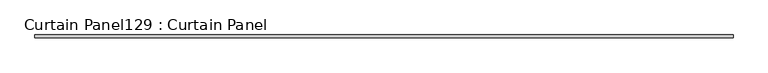
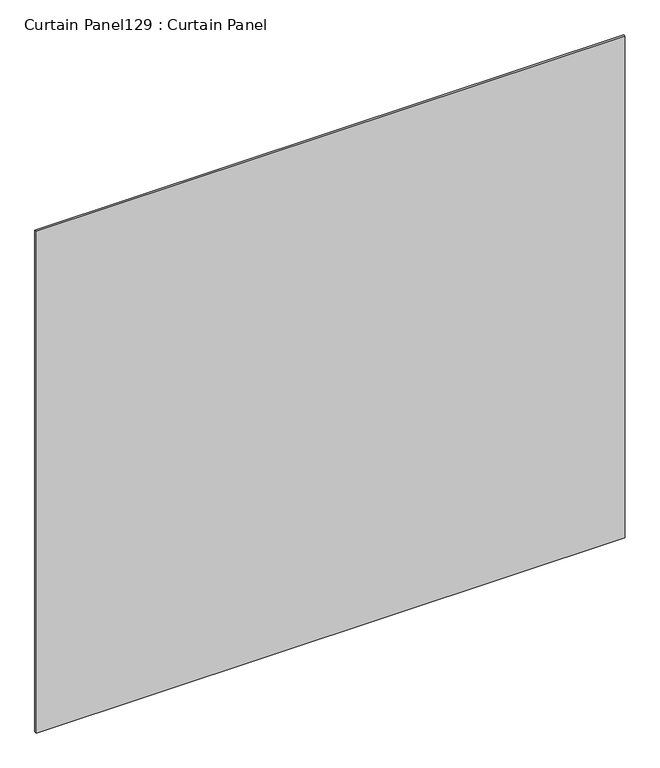
"""IFC4 building model written with IfcOpenShell, lengths in millimetres: plate geometry, Curtain Panel129 : Curtain Panel."""

from ifc_helpers import new_model, si_unit, frame, origin, place, context, project, spatial, polyline, outline, extrude, source, transform, mapped, element, save


def curtain_panel129_curtain_panel_8ae07a7e(model_context):
    return source(origin(), model_context, "Body", "SweptSolid", [
        extrude(outline(polyline([(288028.1063541, 2417.6234836), (286351.7063541, 2417.6234836), (286351.7063541, 2423.9734836), (288028.1063541, 2423.9734836), (288028.1063541, 2417.6234836)])), frame((0.0, 0.0, 6452.9363156), z_axis=(0.0, 0.0, 1.0), x_axis=(1.0, 0.0, 0.0)), (0.0, 0.0, 1.0), 1509.2886181),
    ])


if __name__ == "__main__":
    model = new_model("IFC4")
    model_context = context("Model", 3, world=origin())
    ifc_project = project(units=[si_unit("LENGTHUNIT", "METRE", prefix="MILLI")], contexts=[model_context])
    site = spatial("IfcSite", under=ifc_project)
    building = spatial("IfcBuilding", under=site)
    placement = place(None, origin())
    curtain_panel129_curtain_panel_shape = curtain_panel129_curtain_panel_8ae07a7e(model_context)
    element("IfcPlate", 1, ObjectType="Curtain Panel129 : Curtain Panel", at=placement, inside=building, context=model_context, shape_type="MappedRepresentation", body=[
        mapped(curtain_panel129_curtain_panel_shape, transform((0.0, 0.0, 0.0), x_axis=(1.0, 0.0, 0.0), y_axis=(0.0, 1.0, 0.0), z_axis=(0.0, 0.0, 1.0))),
    ])
    save(model, "model.ifc")
